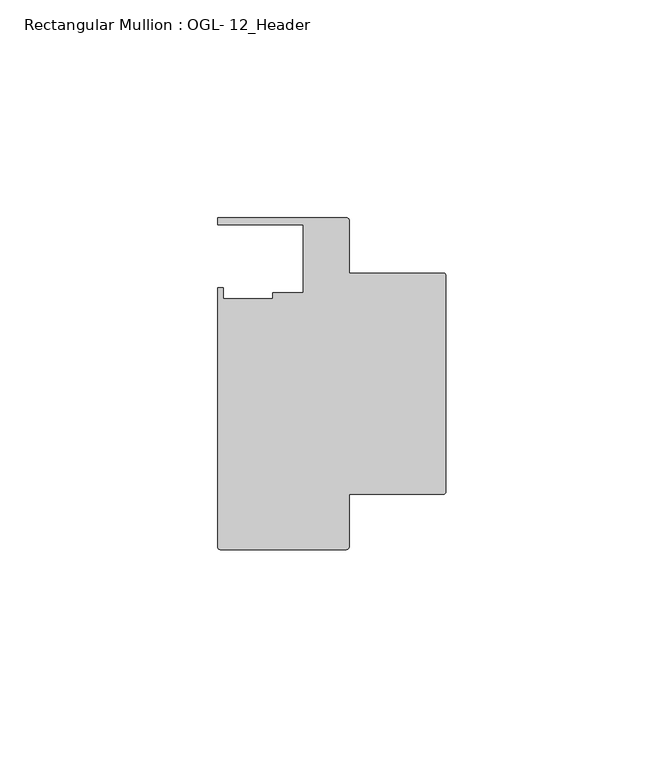
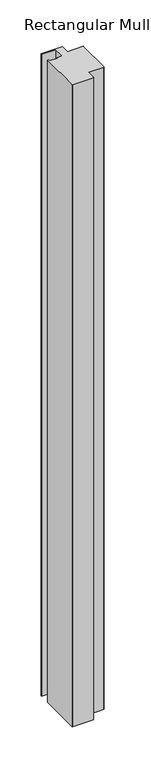
"""IFC4 building model written with IfcOpenShell, lengths in millimetres: member geometry, Rectangular Mullion : OGL- 12_Header."""

from ifc_helpers import new_model, si_unit, point, frame, frame_2d, origin, place, context, project, spatial, polyline, circle_curve, trimmed, segment, composite_curve, outline, extrude, source, transform, mapped, element, save


def rectangular_mullion_ogl_12_header_d55e966e(model_context):
    return source(origin(), model_context, "Body", "SweptSolid", [
        extrude(outline(composite_curve([segment(polyline([(-0.5953125, -25.4), (-22.2332898, -25.4), (-22.2332898, -37.5043667)]), True, "CONTINUOUS"), segment(trimmed(circle_curve(frame_2d((-22.8286023, -37.5043667)), 0.5953125), [point((-22.2332898, -37.5043667))], [point((-22.8286023, -38.0996792))], False, "CARTESIAN"), True, "CONTINUOUS"), segment(polyline([(-22.8286023, -38.0996792), (-51.7968699, -38.0996792)]), True, "CONTINUOUS"), segment(trimmed(circle_curve(frame_2d((-51.7968699, -37.5043667)), 0.5953125), [point((-51.7968699, -38.0996792))], [point((-52.3921824, -37.5043667))], False, "CARTESIAN"), True, "CONTINUOUS"), segment(polyline([(-52.3921824, -37.5043667), (-52.3921824, 21.9710976), (-51.1362531, 21.9710976), (-51.1362531, 19.4824275), (-39.7567771, 19.4824275), (-39.7567771, 20.8257348), (-32.730302, 20.8257348), (-32.730302, 36.512516), (-52.3830881, 36.512516), (-52.3830881, 38.100016), (-22.8763468, 38.100016)]), True, "CONTINUOUS"), segment(trimmed(circle_curve(frame_2d((-22.8763468, 37.456959)), 0.643057), [point((-22.8763468, 38.100016))], [point((-22.2332898, 37.456959))], False, "CARTESIAN"), True, "CONTINUOUS"), segment(polyline([(-22.2332898, 37.456959), (-22.2332898, 25.4), (-0.5953125, 25.4)]), True, "CONTINUOUS"), segment(trimmed(circle_curve(frame_2d((-0.5953125, 24.8046875)), 0.5953125), [point((-0.5953125, 25.4))], [point((0.0, 24.8046875))], False, "CARTESIAN"), True, "CONTINUOUS"), segment(polyline([(0.0, 24.8046875), (0.0, -24.8046875)]), True, "CONTINUOUS"), segment(trimmed(circle_curve(frame_2d((-0.5953125, -24.8046875)), 0.5953125), [point((0.0, -24.8046875))], [point((-0.5953125, -25.4))], False, "CARTESIAN"), True, "CONTINUOUS")], self_intersect=False)), frame((0.0, 0.0, -952.5), z_axis=(0.0, 0.0, 1.0), x_axis=(1.0, 0.0, 0.0)), (0.0, 0.0, 1.0), 952.5),
    ])


if __name__ == "__main__":
    model = new_model("IFC4")
    model_context = context("Model", 3, world=origin())
    ifc_project = project(units=[si_unit("LENGTHUNIT", "METRE", prefix="MILLI")], contexts=[model_context])
    site = spatial("IfcSite", under=ifc_project)
    building = spatial("IfcBuilding", under=site)
    placement = place(None, origin())
    rectangular_mullion_ogl_12_header_shape = rectangular_mullion_ogl_12_header_d55e966e(model_context)
    element("IfcMember", 1, ObjectType="Rectangular Mullion : OGL- 12_Header", at=placement, inside=building, context=model_context, shape_type="MappedRepresentation", body=[
        mapped(rectangular_mullion_ogl_12_header_shape, transform((0.0, 0.0, 0.0), x_axis=(1.0, 0.0, 0.0), y_axis=(0.0, 1.0, 0.0), z_axis=(0.0, 0.0, 1.0))),
    ])
    save(model, "model.ifc")
